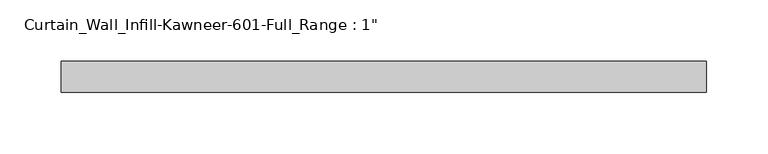
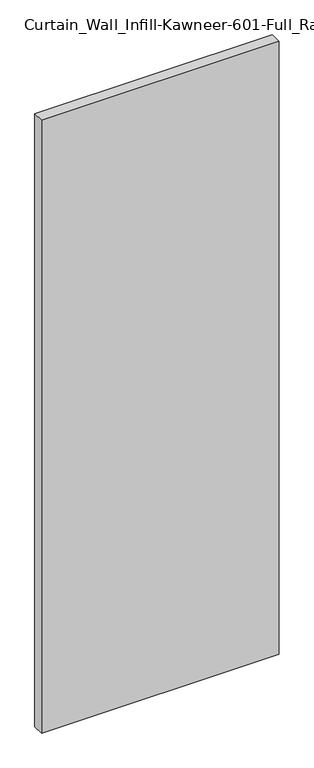
"""IFC4 building model written with IfcOpenShell, lengths in millimetres: plate geometry."""

from ifc_helpers import new_model, si_unit, origin, origin_with_axes, place, context, project, spatial, polyline, outline, extrude, source, transform, mapped, element, save


def plate_f758087e(model_context):
    return source(origin(), model_context, "Body", "SweptSolid", [
        extrude(outline(polyline([(-263.525, 0.0), (-263.525, 25.4), (263.525, 25.4), (263.525, 0.0), (-263.525, 0.0)])), origin_with_axes(), (0.0, 0.0, 1.0), 1435.1),
    ])


if __name__ == "__main__":
    model = new_model("IFC4")
    model_context = context("Model", 3, world=origin())
    ifc_project = project(units=[si_unit("LENGTHUNIT", "METRE", prefix="MILLI")], contexts=[model_context])
    site = spatial("IfcSite", under=ifc_project)
    building = spatial("IfcBuilding", under=site)
    placement = place(None, origin())
    plate_shape = plate_f758087e(model_context)
    element("IfcPlate", 1, ObjectType="Curtain_Wall_Infill-Kawneer-601-Full_Range : 1\"", at=placement, inside=building, context=model_context, shape_type="MappedRepresentation", body=[
        mapped(plate_shape, transform((0.0, 0.0, 0.0), x_axis=(1.0, 0.0, 0.0), y_axis=(0.0, 1.0, 0.0), z_axis=(0.0, 0.0, 1.0))),
    ])
    save(model, "model.ifc")
